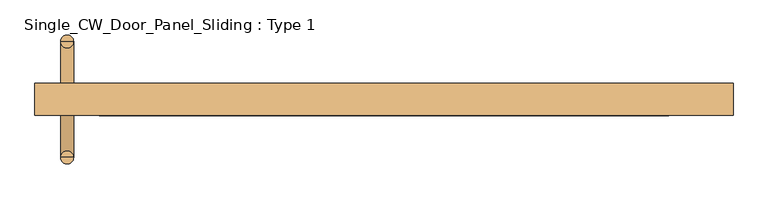
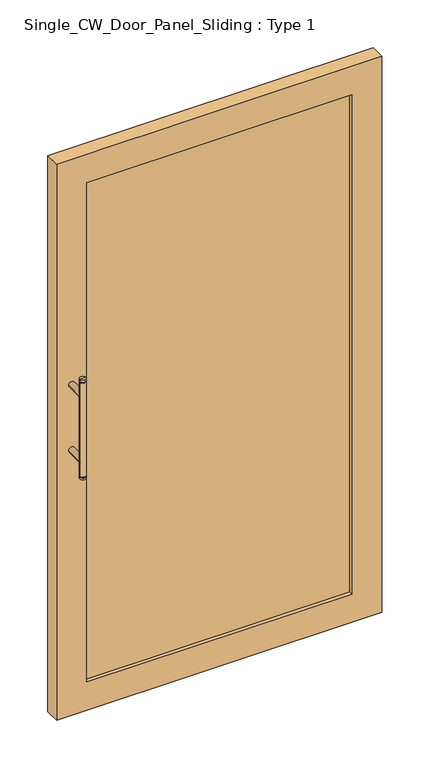
"""IFC4 building model written with IfcOpenShell, lengths in millimetres: door geometry, Single_CW_Door_Panel_Sliding : Type 1."""

from ifc_helpers import new_model, si_unit, point, frame, frame_2d, origin, place, context, project, spatial, polyline, circle_curve, trimmed, segment, composite_curve, outline, extrude, source, transform, mapped, element, save
from ifc_brep_helpers import plane_surface, cylinder_surface, advanced_brep


def single_cw_door_panel_sliding_type_1_82aa78c9(model_context):
    return source(origin(), model_context, "Body", "SolidModel", [
        advanced_brep(
        [(-481.5374871, -90.0, 1219.0), (-481.5374871, -90.0, 1225.0), (-501.5374871, -90.0, 1225.0), (-501.5374871, -90.0, 1219.0), (-499.5698372, -90.0, 1214.7650043), (-499.5698372, -90.0, 1219.0), (-483.505137, -90.0, 1219.0), (-483.505137, -90.0, 1214.7650043), (-481.5374871, -90.0, 1214.7650043), (-501.5374871, -90.0, 1214.7650043), (-481.5374871, -90.0, 885.2349957), (-501.5374871, -90.0, 885.2349957), (-483.505137, -90.0, 885.2349957), (-499.5698372, -90.0, 885.2349957), (-483.505137, -90.0, 881.0), (-499.5698372, -90.0, 881.0), (-481.5374871, -90.0, 881.0), (-501.5374871, -90.0, 881.0), (-481.5374871, -90.0, 875.0), (-501.5374871, -90.0, 875.0), (-491.5374871, -90.0, 875.0), (-491.5374871, -90.0, 1225.0)],
        [
            (0, 1),
            (1, 2, circle_curve(frame((-491.5374871, -90.0, 1225.0), z_axis=(0.0, 0.0, -1.0), x_axis=(-1.0, 0.0, 0.0)), 10.0)),
            (2, 3),
            (3, 0, circle_curve(frame((-491.5374871, -90.0, 1219.0), z_axis=(0.0, 0.0, 1.0), x_axis=(-1.0, 0.0, 0.0)), 10.0)),
            (4, 5),
            (5, 6, circle_curve(frame((-491.5374871, -90.0, 1219.0), z_axis=(0.0, 0.0, -1.0), x_axis=(-1.0, 0.0, 0.0)), 8.0323501)),
            (6, 7),
            (7, 4, circle_curve(frame((-491.5374871, -90.0, 1214.7650043), z_axis=(0.0, 0.0, 1.0), x_axis=(-1.0, 0.0, 0.0)), 8.0323501)),
            (2, 1, circle_curve(frame((-491.5374871, -90.0, 1225.0), z_axis=(0.0, 0.0, -1.0), x_axis=(-1.0, 0.0, 0.0)), 10.0)),
            (0, 3, circle_curve(frame((-491.5374871, -90.0, 1219.0), z_axis=(0.0, 0.0, 1.0), x_axis=(-1.0, 0.0, 0.0)), 10.0)),
            (6, 0),
            (3, 5),
            (5, 6, circle_curve(frame((-491.5374871, -90.0, 1219.0), z_axis=(0.0, 0.0, 1.0), x_axis=(-1.0, 0.0, 0.0)), 8.0323501)),
            (4, 7, circle_curve(frame((-491.5374871, -90.0, 1214.7650043), z_axis=(0.0, 0.0, 1.0), x_axis=(-1.0, 0.0, 0.0)), 8.0323501)),
            (8, 7),
            (4, 9),
            (9, 8, circle_curve(frame((-491.5374871, -90.0, 1214.7650043), z_axis=(0.0, 0.0, 1.0), x_axis=(-1.0, 0.0, 0.0)), 10.0)),
            (8, 9, circle_curve(frame((-491.5374871, -90.0, 1214.7650043), z_axis=(0.0, 0.0, 1.0), x_axis=(-1.0, 0.0, 0.0)), 10.0)),
            (10, 8),
            (9, 11),
            (11, 10, circle_curve(frame((-491.5374871, -90.0, 885.2349957), z_axis=(0.0, 0.0, 1.0), x_axis=(-1.0, 0.0, 0.0)), 10.0)),
            (10, 11, circle_curve(frame((-491.5374871, -90.0, 885.2349957), z_axis=(0.0, 0.0, 1.0), x_axis=(-1.0, 0.0, 0.0)), 10.0)),
            (12, 10),
            (11, 13),
            (13, 12, circle_curve(frame((-491.5374871, -90.0, 885.2349957), z_axis=(0.0, 0.0, 1.0), x_axis=(-1.0, 0.0, 0.0)), 8.0323501)),
            (12, 13, circle_curve(frame((-491.5374871, -90.0, 885.2349957), z_axis=(0.0, 0.0, 1.0), x_axis=(-1.0, 0.0, 0.0)), 8.0323501)),
            (14, 12),
            (13, 15),
            (15, 14, circle_curve(frame((-491.5374871, -90.0, 881.0), z_axis=(0.0, 0.0, 1.0), x_axis=(-1.0, 0.0, 0.0)), 8.0323501)),
            (14, 15, circle_curve(frame((-491.5374871, -90.0, 881.0), z_axis=(0.0, 0.0, 1.0), x_axis=(-1.0, 0.0, 0.0)), 8.0323501)),
            (16, 14),
            (15, 17),
            (17, 16, circle_curve(frame((-491.5374871, -90.0, 881.0), z_axis=(0.0, 0.0, 1.0), x_axis=(-1.0, 0.0, 0.0)), 10.0)),
            (16, 17, circle_curve(frame((-491.5374871, -90.0, 881.0), z_axis=(0.0, 0.0, 1.0), x_axis=(-1.0, 0.0, 0.0)), 10.0)),
            (18, 16),
            (17, 19),
            (19, 18, circle_curve(frame((-491.5374871, -90.0, 875.0), z_axis=(0.0, 0.0, 1.0), x_axis=(-1.0, 0.0, 0.0)), 10.0)),
            (18, 19, circle_curve(frame((-491.5374871, -90.0, 875.0), z_axis=(0.0, 0.0, 1.0), x_axis=(-1.0, 0.0, 0.0)), 10.0)),
            (20, 18),
            (19, 20),
            (1, 21),
            (21, 2),
        ],
        [
            cylinder_surface(frame((-491.5374871, -90.0, 850.0), z_axis=(0.0, 0.0, -1.0), x_axis=(-1.0, 0.0, 0.0)), 10.0),
            cylinder_surface(frame((-491.5374871, -90.0, 850.0), z_axis=(0.0, 0.0, -1.0), x_axis=(-1.0, 0.0, 0.0)), 8.0323501),
            plane_surface(frame((-491.5374871, -90.0, 1219.0), z_axis=(0.0, 0.0, -1.0), x_axis=(-1.0, 0.0, 0.0))),
            plane_surface(frame((-491.5374871, -90.0, 1214.7650043), z_axis=(0.0, 0.0, 1.0), x_axis=(-1.0, 0.0, 0.0))),
            plane_surface(frame((-491.5374871, -90.0, 885.2349957), z_axis=(0.0, 0.0, -1.0), x_axis=(-1.0, 0.0, 0.0))),
            plane_surface(frame((-491.5374871, -90.0, 881.0), z_axis=(0.0, 0.0, 1.0), x_axis=(-1.0, 0.0, 0.0))),
            plane_surface(frame((-491.5374871, -90.0, 875.0), z_axis=(0.0, 0.0, -1.0), x_axis=(-1.0, 0.0, 0.0))),
            plane_surface(frame((-491.5374871, -90.0, 1225.0), z_axis=(0.0, 0.0, 1.0), x_axis=(-1.0, 0.0, 0.0))),
        ],
        [
            (0, [[1, 2, 3, 4]]),
            (1, [[5, 6, 7, 8]]),
            (0, [[-3, 9, -1, 10]]),
            (2, [[11, -4, 12, 13]]),
            (2, [[-12, -10, -11, -6]]),
            (1, [[-7, -13, -5, 14]]),
            (3, [[15, -14, 16, 17]]),
            (3, [[-16, -8, -15, 18]]),
            (0, [[19, -17, 20, 21]]),
            (0, [[-20, -18, -19, 22]]),
            (4, [[23, -21, 24, 25]]),
            (4, [[-24, -22, -23, 26]]),
            (1, [[27, -25, 28, 29]]),
            (1, [[-28, -26, -27, 30]]),
            (5, [[31, -29, 32, 33]]),
            (5, [[-32, -30, -31, 34]]),
            (0, [[35, -33, 36, 37]]),
            (0, [[-36, -34, -35, 38]]),
            (6, [[39, -37, 40]]),
            (6, [[-40, -38, -39]]),
            (7, [[41, 42, -2]]),
            (7, [[-42, -41, -9]]),
        ],
    ),
        extrude(outline(composite_curve([segment(trimmed(circle_curve(frame_2d((935.0, -491.5374871)), 10.0), [point((935.0, -501.5374871))], [point((935.0, -481.5374871))], False, "CARTESIAN"), True, "CONTINUOUS"), segment(trimmed(circle_curve(frame_2d((935.0, -491.5374871)), 10.0), [point((935.0, -481.5374871))], [point((935.0, -501.5374871))], False, "CARTESIAN"), True, "CONTINUOUS")], self_intersect=False)), frame((0.0, -90.0, 0.0), z_axis=(0.0, 1.0, 0.0), x_axis=(0.0, 0.0, 1.0)), (0.0, 0.0, 1.0), 65.0),
        extrude(outline(composite_curve([segment(trimmed(circle_curve(frame_2d((1165.0, -491.5374871)), 10.0), [point((1165.0, -501.5374871))], [point((1165.0, -481.5374871))], False, "CARTESIAN"), True, "CONTINUOUS"), segment(trimmed(circle_curve(frame_2d((1165.0, -491.5374871)), 10.0), [point((1165.0, -481.5374871))], [point((1165.0, -501.5374871))], False, "CARTESIAN"), True, "CONTINUOUS")], self_intersect=False)), frame((0.0, -90.0, 0.0), z_axis=(0.0, 1.0, 0.0), x_axis=(0.0, 0.0, 1.0)), (0.0, 0.0, 1.0), 65.0),
        extrude(outline(polyline([(441.5374871, -12.5), (-441.5374871, -12.5), (-441.5374871, 12.5), (441.5374871, 12.5), (441.5374871, -12.5)])), frame((0.0, 0.0, 100.0), z_axis=(0.0, 0.0, 1.0), x_axis=(1.0, 0.0, 0.0)), (0.0, 0.0, 1.0), 1757.6957848),
        extrude(outline(polyline([(1957.6957848, 541.5374871), (1957.6957848, -541.5374871), (0.0, -541.5374871), (0.0, 541.5374871), (1957.6957848, 541.5374871)]), holes=[polyline([(1857.6957848, 441.5374871), (100.0, 441.5374871), (100.0, -441.5374871), (1857.6957848, -441.5374871), (1857.6957848, 441.5374871)])]), frame((0.0, -25.0, 0.0), z_axis=(0.0, 1.0, 0.0), x_axis=(0.0, 0.0, 1.0)), (0.0, 0.0, 1.0), 50.0),
        advanced_brep(
        [(-481.5374871, 90.0, 1219.0), (-501.5374871, 90.0, 1219.0), (-501.5374871, 90.0, 1225.0), (-481.5374871, 90.0, 1225.0), (-499.5698372, 90.0, 1214.7650043), (-483.505137, 90.0, 1214.7650043), (-483.505137, 90.0, 1219.0), (-499.5698372, 90.0, 1219.0), (-481.5374871, 90.0, 1214.7650043), (-501.5374871, 90.0, 1214.7650043), (-481.5374871, 90.0, 885.2349957), (-501.5374871, 90.0, 885.2349957), (-483.505137, 90.0, 885.2349957), (-499.5698372, 90.0, 885.2349957), (-483.505137, 90.0, 881.0), (-499.5698372, 90.0, 881.0), (-481.5374871, 90.0, 881.0), (-501.5374871, 90.0, 881.0), (-481.5374871, 90.0, 875.0), (-501.5374871, 90.0, 875.0), (-491.5374871, 90.0, 875.0), (-491.5374871, 90.0, 1225.0)],
        [
            (0, 1, circle_curve(frame((-491.5374871, 90.0, 1219.0), z_axis=(0.0, 0.0, 1.0), x_axis=(-1.0, 0.0, 0.0)), 10.0)),
            (1, 2),
            (2, 3, circle_curve(frame((-491.5374871, 90.0, 1225.0), z_axis=(0.0, 0.0, -1.0), x_axis=(-1.0, 0.0, 0.0)), 10.0)),
            (3, 0),
            (4, 5, circle_curve(frame((-491.5374871, 90.0, 1214.7650043), z_axis=(0.0, 0.0, 1.0), x_axis=(-1.0, 0.0, 0.0)), 8.0323501)),
            (5, 6),
            (6, 7, circle_curve(frame((-491.5374871, 90.0, 1219.0), z_axis=(0.0, 0.0, -1.0), x_axis=(-1.0, 0.0, 0.0)), 8.0323501)),
            (7, 4),
            (1, 0, circle_curve(frame((-491.5374871, 90.0, 1219.0), z_axis=(0.0, 0.0, 1.0), x_axis=(-1.0, 0.0, 0.0)), 10.0)),
            (3, 2, circle_curve(frame((-491.5374871, 90.0, 1225.0), z_axis=(0.0, 0.0, -1.0), x_axis=(-1.0, 0.0, 0.0)), 10.0)),
            (6, 7, circle_curve(frame((-491.5374871, 90.0, 1219.0), z_axis=(0.0, 0.0, 1.0), x_axis=(-1.0, 0.0, 0.0)), 8.0323501)),
            (7, 1),
            (0, 6),
            (5, 4, circle_curve(frame((-491.5374871, 90.0, 1214.7650043), z_axis=(0.0, 0.0, 1.0), x_axis=(-1.0, 0.0, 0.0)), 8.0323501)),
            (8, 9, circle_curve(frame((-491.5374871, 90.0, 1214.7650043), z_axis=(0.0, 0.0, 1.0), x_axis=(-1.0, 0.0, 0.0)), 10.0)),
            (9, 4),
            (5, 8),
            (9, 8, circle_curve(frame((-491.5374871, 90.0, 1214.7650043), z_axis=(0.0, 0.0, 1.0), x_axis=(-1.0, 0.0, 0.0)), 10.0)),
            (10, 11, circle_curve(frame((-491.5374871, 90.0, 885.2349957), z_axis=(0.0, 0.0, 1.0), x_axis=(-1.0, 0.0, 0.0)), 10.0)),
            (11, 9),
            (8, 10),
            (11, 10, circle_curve(frame((-491.5374871, 90.0, 885.2349957), z_axis=(0.0, 0.0, 1.0), x_axis=(-1.0, 0.0, 0.0)), 10.0)),
            (12, 13, circle_curve(frame((-491.5374871, 90.0, 885.2349957), z_axis=(0.0, 0.0, 1.0), x_axis=(-1.0, 0.0, 0.0)), 8.0323501)),
            (13, 11),
            (10, 12),
            (13, 12, circle_curve(frame((-491.5374871, 90.0, 885.2349957), z_axis=(0.0, 0.0, 1.0), x_axis=(-1.0, 0.0, 0.0)), 8.0323501)),
            (14, 15, circle_curve(frame((-491.5374871, 90.0, 881.0), z_axis=(0.0, 0.0, 1.0), x_axis=(-1.0, 0.0, 0.0)), 8.0323501)),
            (15, 13),
            (12, 14),
            (15, 14, circle_curve(frame((-491.5374871, 90.0, 881.0), z_axis=(0.0, 0.0, 1.0), x_axis=(-1.0, 0.0, 0.0)), 8.0323501)),
            (16, 17, circle_curve(frame((-491.5374871, 90.0, 881.0), z_axis=(0.0, 0.0, 1.0), x_axis=(-1.0, 0.0, 0.0)), 10.0)),
            (17, 15),
            (14, 16),
            (17, 16, circle_curve(frame((-491.5374871, 90.0, 881.0), z_axis=(0.0, 0.0, 1.0), x_axis=(-1.0, 0.0, 0.0)), 10.0)),
            (18, 19, circle_curve(frame((-491.5374871, 90.0, 875.0), z_axis=(0.0, 0.0, 1.0), x_axis=(-1.0, 0.0, 0.0)), 10.0)),
            (19, 17),
            (16, 18),
            (19, 18, circle_curve(frame((-491.5374871, 90.0, 875.0), z_axis=(0.0, 0.0, 1.0), x_axis=(-1.0, 0.0, 0.0)), 10.0)),
            (20, 19),
            (18, 20),
            (2, 21),
            (21, 3),
        ],
        [
            cylinder_surface(frame((-491.5374871, 90.0, 850.0), z_axis=(0.0, 0.0, -1.0), x_axis=(-1.0, 0.0, 0.0)), 10.0),
            cylinder_surface(frame((-491.5374871, 90.0, 850.0), z_axis=(0.0, 0.0, -1.0), x_axis=(-1.0, 0.0, 0.0)), 8.0323501),
            plane_surface(frame((-491.5374871, 90.0, 1219.0), z_axis=(0.0, 0.0, -1.0), x_axis=(-1.0, 0.0, 0.0))),
            plane_surface(frame((-491.5374871, 90.0, 1214.7650043), z_axis=(0.0, 0.0, 1.0), x_axis=(-1.0, 0.0, 0.0))),
            plane_surface(frame((-491.5374871, 90.0, 885.2349957), z_axis=(0.0, 0.0, -1.0), x_axis=(-1.0, 0.0, 0.0))),
            plane_surface(frame((-491.5374871, 90.0, 881.0), z_axis=(0.0, 0.0, 1.0), x_axis=(-1.0, 0.0, 0.0))),
            plane_surface(frame((-491.5374871, 90.0, 875.0), z_axis=(0.0, 0.0, -1.0), x_axis=(-1.0, 0.0, 0.0))),
            plane_surface(frame((-491.5374871, 90.0, 1225.0), z_axis=(0.0, 0.0, 1.0), x_axis=(-1.0, 0.0, 0.0))),
        ],
        [
            (0, [[1, 2, 3, 4]]),
            (1, [[5, 6, 7, 8]]),
            (0, [[9, -4, 10, -2]]),
            (2, [[11, 12, -1, 13]]),
            (2, [[-7, -13, -9, -12]]),
            (1, [[14, -8, -11, -6]]),
            (3, [[15, 16, -14, 17]]),
            (3, [[18, -17, -5, -16]]),
            (0, [[19, 20, -15, 21]]),
            (0, [[22, -21, -18, -20]]),
            (4, [[23, 24, -19, 25]]),
            (4, [[26, -25, -22, -24]]),
            (1, [[27, 28, -23, 29]]),
            (1, [[30, -29, -26, -28]]),
            (5, [[31, 32, -27, 33]]),
            (5, [[34, -33, -30, -32]]),
            (0, [[35, 36, -31, 37]]),
            (0, [[38, -37, -34, -36]]),
            (6, [[39, -35, 40]]),
            (6, [[-40, -38, -39]]),
            (7, [[-3, 41, 42]]),
            (7, [[-10, -42, -41]]),
        ],
    ),
        extrude(outline(composite_curve([segment(trimmed(circle_curve(frame_2d((1165.0, -491.5374871)), 10.0), [point((1165.0, -501.5374871))], [point((1165.0, -481.5374871))], False, "CARTESIAN"), True, "CONTINUOUS"), segment(trimmed(circle_curve(frame_2d((1165.0, -491.5374871)), 10.0), [point((1165.0, -481.5374871))], [point((1165.0, -501.5374871))], False, "CARTESIAN"), True, "CONTINUOUS")], self_intersect=False)), frame((0.0, 25.0, 0.0), z_axis=(0.0, 1.0, 0.0), x_axis=(0.0, 0.0, 1.0)), (0.0, 0.0, 1.0), 65.0),
        extrude(outline(composite_curve([segment(trimmed(circle_curve(frame_2d((935.0, -491.5374871)), 10.0), [point((935.0, -501.5374871))], [point((935.0, -481.5374871))], False, "CARTESIAN"), True, "CONTINUOUS"), segment(trimmed(circle_curve(frame_2d((935.0, -491.5374871)), 10.0), [point((935.0, -481.5374871))], [point((935.0, -501.5374871))], False, "CARTESIAN"), True, "CONTINUOUS")], self_intersect=False)), frame((0.0, 25.0, 0.0), z_axis=(0.0, 1.0, 0.0), x_axis=(0.0, 0.0, 1.0)), (0.0, 0.0, 1.0), 65.0),
    ])


if __name__ == "__main__":
    model = new_model("IFC4")
    model_context = context("Model", 3, world=origin())
    ifc_project = project(units=[si_unit("LENGTHUNIT", "METRE", prefix="MILLI")], contexts=[model_context])
    site = spatial("IfcSite", under=ifc_project)
    building = spatial("IfcBuilding", under=site)
    placement = place(None, origin())
    single_cw_door_panel_sliding_type_1_shape = single_cw_door_panel_sliding_type_1_82aa78c9(model_context)
    element("IfcDoor", 1, ObjectType="Single_CW_Door_Panel_Sliding : Type 1", at=placement, inside=building, context=model_context, shape_type="MappedRepresentation", body=[
        mapped(single_cw_door_panel_sliding_type_1_shape, transform((0.0, 0.0, 0.0), x_axis=(1.0, 0.0, 0.0), y_axis=(0.0, 1.0, 0.0), z_axis=(0.0, 0.0, 1.0))),
    ])
    save(model, "model.ifc")
